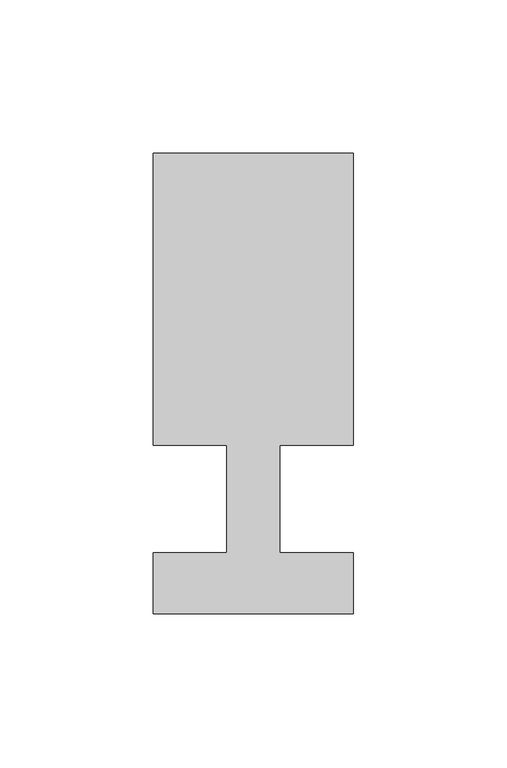
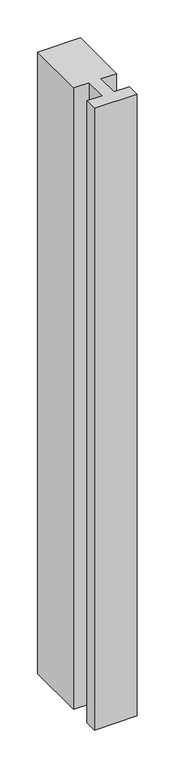
"""IFC4 building model written with IfcOpenShell, lengths in millimetres: member geometry."""

from ifc_helpers import new_model, si_unit, frame, origin, place, context, project, spatial, polyline, outline, extrude, source, transform, mapped, element, save


def member_055ac8db(model_context):
    return source(origin(), model_context, "Body", "SweptSolid", [
        extrude(outline(polyline([(0.0, -37.0), (-65.0, -37.0), (-65.0, -17.0), (-41.1875, -17.0), (-41.1875, 18.0), (-65.0, 18.0), (-65.0, 113.0), (0.0, 113.0), (0.0, 18.0), (-23.8125, 18.0), (-23.8125, -17.0), (0.0, -17.0), (0.0, -37.0)])), frame((0.0, 0.0, -1001.5982143), z_axis=(0.0, 0.0, 1.0), x_axis=(1.0, 0.0, 0.0)), (0.0, 0.0, 1.0), 1001.5982143),
    ])


if __name__ == "__main__":
    model = new_model("IFC4")
    model_context = context("Model", 3, world=origin())
    ifc_project = project(units=[si_unit("LENGTHUNIT", "METRE", prefix="MILLI")], contexts=[model_context])
    site = spatial("IfcSite", under=ifc_project)
    building = spatial("IfcBuilding", under=site)
    placement = place(None, origin())
    member_shape = member_055ac8db(model_context)
    element("IfcMember", 1, at=placement, inside=building, context=model_context, shape_type="MappedRepresentation", body=[
        mapped(member_shape, transform((0.0, 0.0, 0.0), x_axis=(1.0, 0.0, 0.0), y_axis=(0.0, 1.0, 0.0), z_axis=(0.0, 0.0, 1.0))),
    ])
    save(model, "model.ifc")
